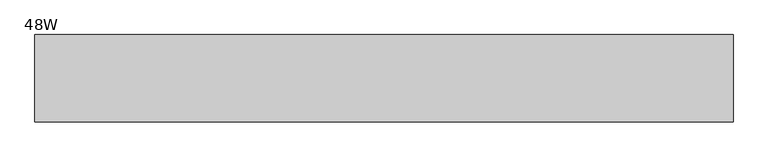
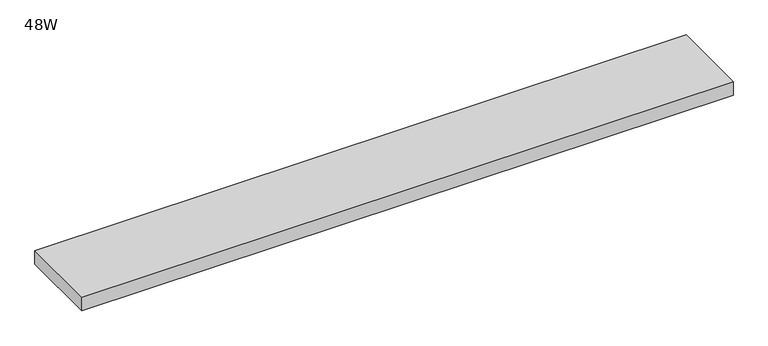
"""IFC4 building model written with IfcOpenShell, lengths in millimetres: furniture geometry, 48W."""

from ifc_helpers import new_model, si_unit, frame, origin, place, context, project, spatial, polyline, outline, extrude, source, transform, mapped, element, save


def furniture_48w_d715fd6a(model_context):
    return source(origin(), model_context, "Body", "SweptSolid", [
        extrude(outline(polyline([(1219.2, 0.0), (1219.2, -152.4), (0.0, -152.4), (0.0, 0.0), (1219.2, 0.0)])), frame((0.0, 0.0, 1123.95), z_axis=(0.0, 0.0, 1.0), x_axis=(1.0, 0.0, 0.0)), (0.0, 0.0, 1.0), 26.924),
    ])


if __name__ == "__main__":
    model = new_model("IFC4")
    model_context = context("Model", 3, world=origin())
    ifc_project = project(units=[si_unit("LENGTHUNIT", "METRE", prefix="MILLI")], contexts=[model_context])
    site = spatial("IfcSite", under=ifc_project)
    building = spatial("IfcBuilding", under=site)
    placement = place(None, origin())
    furniture_48w_shape = furniture_48w_d715fd6a(model_context)
    element("IfcFurniture", 1, ObjectType="48W", at=placement, inside=building, context=model_context, shape_type="MappedRepresentation", body=[
        mapped(furniture_48w_shape, transform((0.0, 0.0, 0.0), x_axis=(1.0, 0.0, 0.0), y_axis=(0.0, 1.0, 0.0), z_axis=(0.0, 0.0, 1.0))),
    ])
    save(model, "model.ifc")
